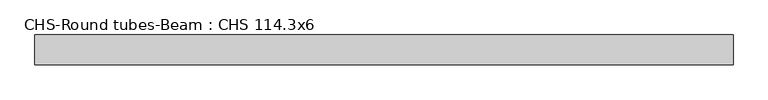
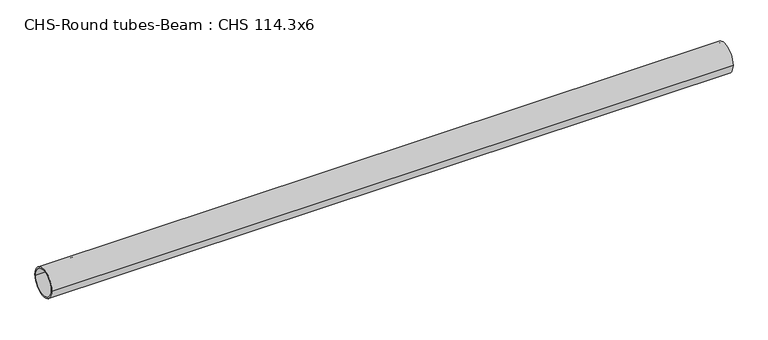
"""IFC4 building model written with IfcOpenShell, lengths in millimetres: beam geometry, CHS-Round tubes-Beam : CHS 114.3x6."""

from ifc_helpers import new_model, si_unit, point, frame, origin, origin_2d, place, context, project, spatial, circle_curve, trimmed, segment, composite_curve, outline, extrude, source, transform, mapped, element, save


def chs_round_tubes_beam_chs_114_3x6_a762bc20(model_context):
    return source(origin(), model_context, "Body", "SweptSolid", [
        extrude(outline(composite_curve([segment(trimmed(circle_curve(origin_2d(), 57.15), [point((57.15, 0.0))], [point((-57.15, 0.0))], False, "CARTESIAN"), True, "CONTINUOUS"), segment(trimmed(circle_curve(origin_2d(), 57.15), [point((-57.15, 0.0))], [point((57.15, 0.0))], False, "CARTESIAN"), True, "CONTINUOUS")], self_intersect=False), holes=[composite_curve([segment(trimmed(circle_curve(origin_2d(), 51.15), [point((51.15, 0.0))], [point((-51.15, 0.0))], True, "CARTESIAN"), True, "CONTINUOUS"), segment(trimmed(circle_curve(origin_2d(), 51.15), [point((-51.15, 0.0))], [point((51.15, 0.0))], True, "CARTESIAN"), True, "CONTINUOUS")], self_intersect=False)]), frame((-1335.2707546, 0.0, 0.0), z_axis=(1.0, 0.0, 0.0), x_axis=(0.0, 1.0, 0.0)), (0.0, 0.0, 1.0), 2676.1253493),
    ])


if __name__ == "__main__":
    model = new_model("IFC4")
    model_context = context("Model", 3, world=origin())
    ifc_project = project(units=[si_unit("LENGTHUNIT", "METRE", prefix="MILLI")], contexts=[model_context])
    site = spatial("IfcSite", under=ifc_project)
    building = spatial("IfcBuilding", under=site)
    placement = place(None, origin())
    chs_round_tubes_beam_chs_114_3x6_shape = chs_round_tubes_beam_chs_114_3x6_a762bc20(model_context)
    element("IfcBeam", 1, ObjectType="CHS-Round tubes-Beam : CHS 114.3x6", at=placement, inside=building, context=model_context, shape_type="MappedRepresentation", body=[
        mapped(chs_round_tubes_beam_chs_114_3x6_shape, transform((0.0, 0.0, 0.0), x_axis=(1.0, 0.0, 0.0), y_axis=(0.0, 1.0, 0.0), z_axis=(0.0, 0.0, 1.0))),
    ])
    save(model, "model.ifc")
